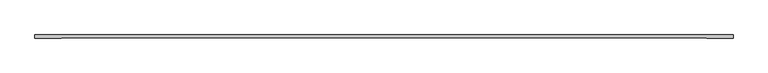
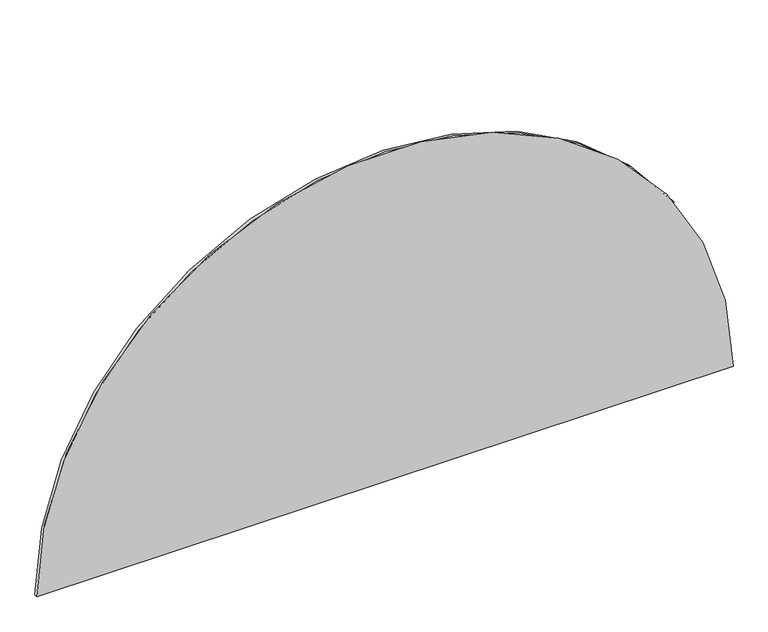
"""IFC4 building model written with IfcOpenShell, lengths in millimetres: beam geometry."""

from ifc_helpers import new_model, si_unit, point, frame, origin, origin_2d, place, context, project, spatial, polyline, circle_curve, trimmed, segment, composite_curve, outline, extrude, source, transform, mapped, element, save


def beam_b4c6d643(model_context):
    return source(origin(), model_context, "Body", "SweptSolid", [
        extrude(outline(composite_curve([segment(trimmed(circle_curve(origin_2d(), 5700.0), [point((0.0, 5700.0))], [point((0.0, -5700.0))], False, "CARTESIAN"), True, "CONTINUOUS"), segment(polyline([(0.0, -5700.0), (0.0, 5700.0)]), True, "CONTINUOUS")], self_intersect=False)), frame((0.0, 500.0, 0.0), z_axis=(0.0, 1.0, 0.0), x_axis=(0.0, 0.0, 1.0)), (0.0, 0.0, 1.0), 50.0),
    ])


if __name__ == "__main__":
    model = new_model("IFC4")
    model_context = context("Model", 3, world=origin())
    ifc_project = project(units=[si_unit("LENGTHUNIT", "METRE", prefix="MILLI")], contexts=[model_context])
    site = spatial("IfcSite", under=ifc_project)
    building = spatial("IfcBuilding", under=site)
    placement = place(None, origin())
    beam_shape = beam_b4c6d643(model_context)
    element("IfcBeam", 1, at=placement, inside=building, context=model_context, shape_type="MappedRepresentation", body=[
        mapped(beam_shape, transform((0.0, 0.0, 0.0), x_axis=(1.0, 0.0, 0.0), y_axis=(0.0, 1.0, 0.0), z_axis=(0.0, 0.0, 1.0))),
    ])
    save(model, "model.ifc")
